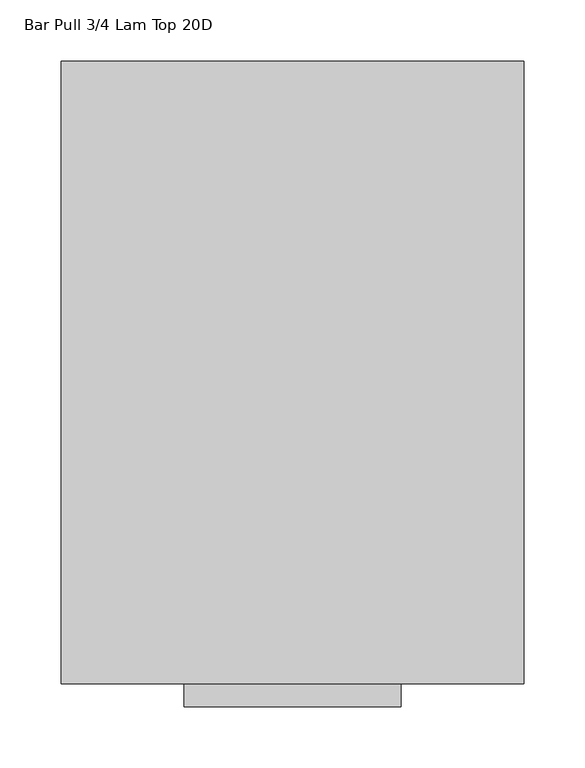
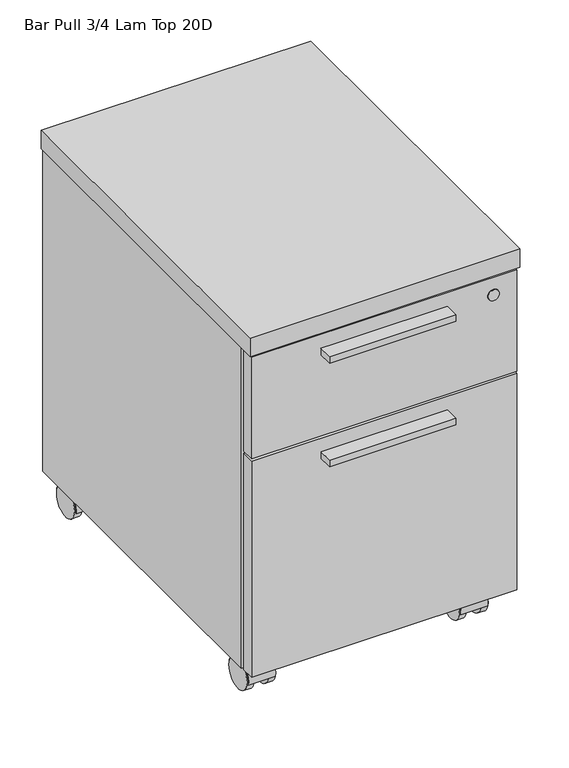
"""IFC4 building model written with IfcOpenShell, lengths in millimetres: furniture geometry, Bar Pull 3/4 Lam Top 20D."""

from ifc_helpers import new_model, si_unit, point, frame, frame_2d, origin, place, context, project, spatial, polyline, circle_curve, trimmed, segment, composite_curve, outline, extrude, source, transform, mapped, element, save
from ifc_brep_helpers import plane_surface, revolved_surface, advanced_brep


def bar_pull_3_4_lam_top_20d_40dfa7df(model_context):
    return source(origin(), model_context, "Body", "SolidModel", [
        extrude(outline(composite_curve([segment(trimmed(circle_curve(frame_2d((38.552757, -443.2433984)), 2.8952236), [point((35.6575335, -443.2433984))], [point((41.4479806, -443.2433984))], False, "CARTESIAN"), True, "CONTINUOUS"), segment(trimmed(circle_curve(frame_2d((38.552757, -443.2433984)), 2.8952236), [point((41.4479806, -443.2433984))], [point((35.6575335, -443.2433984))], False, "CARTESIAN"), True, "CONTINUOUS")], self_intersect=False)), frame((0.0, 0.0, 47.4178766), z_axis=(0.0, 0.0, 1.0), x_axis=(1.0, 0.0, 0.0)), (0.0, 0.0, 1.0), 2.54),
        extrude(outline(composite_curve([segment(trimmed(circle_curve(frame_2d((38.552757, -443.5086607)), 7.4123574), [point((31.1403996, -443.5086607))], [point((45.9651144, -443.5086607))], False, "CARTESIAN"), True, "CONTINUOUS"), segment(trimmed(circle_curve(frame_2d((38.552757, -443.5086607)), 7.4123574), [point((45.9651144, -443.5086607))], [point((31.1403996, -443.5086607))], False, "CARTESIAN"), True, "CONTINUOUS")], self_intersect=False)), frame((0.0, 0.0, 49.9578766), z_axis=(0.0, 0.0, 1.0), x_axis=(1.0, 0.0, 0.0)), (0.0, 0.0, 1.0), 4.7226624),
        advanced_brep(
        [(30.3783996, -443.5086607, 54.680539), (46.7271144, -443.5086607, 54.680539), (25.852757, -443.5086607, 57.5818), (51.252757, -443.5086607, 57.5818)],
        [
            (0, 1, circle_curve(frame((38.552757, -443.5086607, 54.680539), z_axis=(0.0, 0.0, -1.0), x_axis=(-1.0, 0.0, 0.0)), 8.1743574)),
            (1, 0, circle_curve(frame((38.552757, -443.5086607, 54.680539), z_axis=(0.0, 0.0, -1.0), x_axis=(1.0, 0.0, 0.0)), 8.1743574)),
            (2, 3, circle_curve(frame((38.552757, -443.5086607, 57.5818), z_axis=(0.0, 0.0, 1.0), x_axis=(1.0, 0.0, 0.0)), 12.7)),
            (3, 2, circle_curve(frame((38.552757, -443.5086607, 57.5818), z_axis=(0.0, 0.0, 1.0), x_axis=(-1.0, 0.0, 0.0)), 12.7)),
            (2, 0),
            (1, 3),
        ],
        [
            plane_surface(frame((38.552757, -443.5086607, 54.680539), z_axis=(0.0, 0.0, -1.0), x_axis=(0.0, -1.0, 0.0))),
            plane_surface(frame((38.552757, -443.5086607, 57.5818), z_axis=(0.0, 0.0, 1.0), x_axis=(0.0, -1.0, 0.0))),
            revolved_surface(polyline([(46.72711441053413, -443.5086607, 54.680539), (51.252757, -443.5086607, 57.5818)]), (38.552757, -443.5086607, 49.4401905), (0.0, 0.0, 1.0)),
            revolved_surface(polyline([(30.378399589465875, -443.5086607, 54.680539), (25.852757, -443.5086607, 57.5818)]), (38.552757, -443.5086607, 49.4401905), (0.0, 0.0, 1.0)),
        ],
        [
            (0, [[1, 2]]),
            (1, [[3, 4]]),
            (2, [[-3, 5, -2, 6]]),
            (3, [[-4, -6, -1, -5]]),
        ],
    ),
        extrude(outline(composite_curve([segment(trimmed(circle_curve(frame_2d((38.552757, -443.2781099)), 6.0714648), [point((32.4812922, -443.2781099))], [point((44.6242219, -443.2781099))], False, "CARTESIAN"), True, "CONTINUOUS"), segment(trimmed(circle_curve(frame_2d((38.552757, -443.2781099)), 6.0714648), [point((44.6242219, -443.2781099))], [point((32.4812922, -443.2781099))], False, "CARTESIAN"), True, "CONTINUOUS")], self_intersect=False)), frame((0.0, 0.0, 31.6701308), z_axis=(0.0, 0.0, 1.0), x_axis=(1.0, 0.0, 0.0)), (0.0, 0.0, 1.0), 15.7477457),
        extrude(outline(composite_curve([segment(polyline([(-401.009387, 18.6856043), (-402.0037644, 18.6856043)]), True, "CONTINUOUS"), segment(trimmed(circle_curve(frame_2d((-424.6129713, 22.0624907)), 22.86), [point((-402.0037644, 18.6856043))], [point((-447.2221782, 18.6856043))], True, "CARTESIAN"), True, "CONTINUOUS"), segment(polyline([(-447.2221782, 18.6856043), (-448.2152732, 18.6856043)]), True, "CONTINUOUS"), segment(trimmed(circle_curve(frame_2d((-424.6123301, 22.0624907)), 23.8432859), [point((-448.2152732, 18.6856043))], [point((-401.009387, 18.6856043))], False, "CARTESIAN"), True, "CONTINUOUS")], self_intersect=False)), frame((19.558, 0.0, 0.0), z_axis=(1.0, 0.0, 0.0), x_axis=(0.0, 1.0, 0.0)), (0.0, 0.0, 1.0), 37.9984),
        extrude(outline(composite_curve([segment(trimmed(circle_curve(frame_2d((-424.6129713, 21.9964)), 21.9964), [point((-402.6165713, 21.9964))], [point((-446.6093713, 21.9964))], False, "CARTESIAN"), True, "CONTINUOUS"), segment(trimmed(circle_curve(frame_2d((-424.6129713, 21.9964)), 21.9964), [point((-446.6093713, 21.9964))], [point((-402.6165713, 21.9964))], False, "CARTESIAN"), True, "CONTINUOUS")], self_intersect=False)), frame((18.448657, 0.0, 0.0), z_axis=(1.0, 0.0, 0.0), x_axis=(0.0, 1.0, 0.0)), (0.0, 0.0, 1.0), 10.16),
        extrude(outline(composite_curve([segment(trimmed(circle_curve(frame_2d((-424.6129713, 21.9964)), 21.9964), [point((-402.6165713, 21.9964))], [point((-446.6093713, 21.9964))], False, "CARTESIAN"), True, "CONTINUOUS"), segment(trimmed(circle_curve(frame_2d((-424.6129713, 21.9964)), 21.9964), [point((-446.6093713, 21.9964))], [point((-402.6165713, 21.9964))], False, "CARTESIAN"), True, "CONTINUOUS")], self_intersect=False)), frame((48.496857, 0.0, 0.0), z_axis=(1.0, 0.0, 0.0), x_axis=(0.0, 1.0, 0.0)), (0.0, 0.0, 1.0), 10.16),
        extrude(outline(composite_curve([segment(trimmed(circle_curve(frame_2d((52.5526, -429.6167713)), 5.0038), [point((52.5526, -424.6129713))], [point((57.5564, -429.6167713))], False, "CARTESIAN"), True, "CONTINUOUS"), segment(polyline([(57.5564, -429.6167713), (57.5564, -457.6075713)]), True, "CONTINUOUS"), segment(trimmed(circle_curve(frame_2d((52.5526, -457.6075713)), 5.0038), [point((57.5564, -457.6075713))], [point((52.5526, -462.6113713))], False, "CARTESIAN"), True, "CONTINUOUS"), segment(polyline([(52.5526, -462.6113713), (24.5618, -462.6113713)]), True, "CONTINUOUS"), segment(trimmed(circle_curve(frame_2d((24.5618, -457.6075713)), 5.0038), [point((24.5618, -462.6113713))], [point((19.558, -457.6075713))], False, "CARTESIAN"), True, "CONTINUOUS"), segment(polyline([(19.558, -457.6075713), (19.558, -429.6167713)]), True, "CONTINUOUS"), segment(trimmed(circle_curve(frame_2d((24.5618, -429.6167713)), 5.0038), [point((19.558, -429.6167713))], [point((24.5618, -424.6129713))], False, "CARTESIAN"), True, "CONTINUOUS"), segment(polyline([(24.5618, -424.6129713), (52.5526, -424.6129713)]), True, "CONTINUOUS")], self_intersect=False)), frame((0.0, 0.0, 57.5818), z_axis=(0.0, 0.0, 1.0), x_axis=(1.0, 0.0, 0.0)), (0.0, 0.0, 1.0), 2.0066),
        extrude(outline(composite_curve([segment(trimmed(circle_curve(frame_2d((337.358357, -443.2433984)), 2.8952236), [point((334.4631335, -443.2433984))], [point((340.2535806, -443.2433984))], False, "CARTESIAN"), True, "CONTINUOUS"), segment(trimmed(circle_curve(frame_2d((337.358357, -443.2433984)), 2.8952236), [point((340.2535806, -443.2433984))], [point((334.4631335, -443.2433984))], False, "CARTESIAN"), True, "CONTINUOUS")], self_intersect=False)), frame((0.0, 0.0, 47.4178766), z_axis=(0.0, 0.0, 1.0), x_axis=(1.0, 0.0, 0.0)), (0.0, 0.0, 1.0), 2.54),
        extrude(outline(composite_curve([segment(trimmed(circle_curve(frame_2d((337.358357, -443.5086607)), 7.4123574), [point((329.9459996, -443.5086607))], [point((344.7707144, -443.5086607))], False, "CARTESIAN"), True, "CONTINUOUS"), segment(trimmed(circle_curve(frame_2d((337.358357, -443.5086607)), 7.4123574), [point((344.7707144, -443.5086607))], [point((329.9459996, -443.5086607))], False, "CARTESIAN"), True, "CONTINUOUS")], self_intersect=False)), frame((0.0, 0.0, 49.9578766), z_axis=(0.0, 0.0, 1.0), x_axis=(1.0, 0.0, 0.0)), (0.0, 0.0, 1.0), 4.7226624),
        advanced_brep(
        [(329.1839996, -443.5086607, 54.680539), (345.5327144, -443.5086607, 54.680539), (324.658357, -443.5086607, 57.5818), (350.058357, -443.5086607, 57.5818)],
        [
            (0, 1, circle_curve(frame((337.358357, -443.5086607, 54.680539), z_axis=(0.0, 0.0, -1.0), x_axis=(-1.0, 0.0, 0.0)), 8.1743574)),
            (1, 0, circle_curve(frame((337.358357, -443.5086607, 54.680539), z_axis=(0.0, 0.0, -1.0), x_axis=(1.0, 0.0, 0.0)), 8.1743574)),
            (2, 3, circle_curve(frame((337.358357, -443.5086607, 57.5818), z_axis=(0.0, 0.0, 1.0), x_axis=(1.0, 0.0, 0.0)), 12.7)),
            (3, 2, circle_curve(frame((337.358357, -443.5086607, 57.5818), z_axis=(0.0, 0.0, 1.0), x_axis=(-1.0, 0.0, 0.0)), 12.7)),
            (2, 0),
            (1, 3),
        ],
        [
            plane_surface(frame((337.358357, -443.5086607, 54.680539), z_axis=(0.0, 0.0, -1.0), x_axis=(0.0, -1.0, 0.0))),
            plane_surface(frame((337.358357, -443.5086607, 57.5818), z_axis=(0.0, 0.0, 1.0), x_axis=(0.0, -1.0, 0.0))),
            revolved_surface(polyline([(345.53271441053414, -443.5086607, 54.680539), (350.058357, -443.5086607, 57.5818)]), (337.358357, -443.5086607, 49.4401905), (0.0, 0.0, 1.0)),
            revolved_surface(polyline([(329.1839995894659, -443.5086607, 54.680539), (324.658357, -443.5086607, 57.5818)]), (337.358357, -443.5086607, 49.4401905), (0.0, 0.0, 1.0)),
        ],
        [
            (0, [[1, 2]]),
            (1, [[3, 4]]),
            (2, [[-3, 5, -2, 6]]),
            (3, [[-4, -6, -1, -5]]),
        ],
    ),
        extrude(outline(composite_curve([segment(trimmed(circle_curve(frame_2d((337.358357, -443.2781099)), 6.0714648), [point((331.2868922, -443.2781099))], [point((343.4298219, -443.2781099))], False, "CARTESIAN"), True, "CONTINUOUS"), segment(trimmed(circle_curve(frame_2d((337.358357, -443.2781099)), 6.0714648), [point((343.4298219, -443.2781099))], [point((331.2868922, -443.2781099))], False, "CARTESIAN"), True, "CONTINUOUS")], self_intersect=False)), frame((0.0, 0.0, 31.6701308), z_axis=(0.0, 0.0, 1.0), x_axis=(1.0, 0.0, 0.0)), (0.0, 0.0, 1.0), 15.7477457),
        extrude(outline(composite_curve([segment(polyline([(-401.009387, 18.6856043), (-402.0037644, 18.6856043)]), True, "CONTINUOUS"), segment(trimmed(circle_curve(frame_2d((-424.6129713, 22.0624907)), 22.86), [point((-402.0037644, 18.6856043))], [point((-447.2221782, 18.6856043))], True, "CARTESIAN"), True, "CONTINUOUS"), segment(polyline([(-447.2221782, 18.6856043), (-448.2152732, 18.6856043)]), True, "CONTINUOUS"), segment(trimmed(circle_curve(frame_2d((-424.6123301, 22.0624907)), 23.8432859), [point((-448.2152732, 18.6856043))], [point((-401.009387, 18.6856043))], False, "CARTESIAN"), True, "CONTINUOUS")], self_intersect=False)), frame((318.3636, 0.0, 0.0), z_axis=(1.0, 0.0, 0.0), x_axis=(0.0, 1.0, 0.0)), (0.0, 0.0, 1.0), 37.9984),
        extrude(outline(composite_curve([segment(trimmed(circle_curve(frame_2d((-424.6129713, 21.9964)), 21.9964), [point((-402.6165713, 21.9964))], [point((-446.6093713, 21.9964))], False, "CARTESIAN"), True, "CONTINUOUS"), segment(trimmed(circle_curve(frame_2d((-424.6129713, 21.9964)), 21.9964), [point((-446.6093713, 21.9964))], [point((-402.6165713, 21.9964))], False, "CARTESIAN"), True, "CONTINUOUS")], self_intersect=False)), frame((317.254257, 0.0, 0.0), z_axis=(1.0, 0.0, 0.0), x_axis=(0.0, 1.0, 0.0)), (0.0, 0.0, 1.0), 10.16),
        extrude(outline(composite_curve([segment(trimmed(circle_curve(frame_2d((-424.6129713, 21.9964)), 21.9964), [point((-402.6165713, 21.9964))], [point((-446.6093713, 21.9964))], False, "CARTESIAN"), True, "CONTINUOUS"), segment(trimmed(circle_curve(frame_2d((-424.6129713, 21.9964)), 21.9964), [point((-446.6093713, 21.9964))], [point((-402.6165713, 21.9964))], False, "CARTESIAN"), True, "CONTINUOUS")], self_intersect=False)), frame((347.302457, 0.0, 0.0), z_axis=(1.0, 0.0, 0.0), x_axis=(0.0, 1.0, 0.0)), (0.0, 0.0, 1.0), 10.16),
        extrude(outline(composite_curve([segment(trimmed(circle_curve(frame_2d((351.3582, -429.6167713)), 5.0038), [point((351.3582, -424.6129713))], [point((356.362, -429.6167713))], False, "CARTESIAN"), True, "CONTINUOUS"), segment(polyline([(356.362, -429.6167713), (356.362, -457.6075713)]), True, "CONTINUOUS"), segment(trimmed(circle_curve(frame_2d((351.3582, -457.6075713)), 5.0038), [point((356.362, -457.6075713))], [point((351.3582, -462.6113713))], False, "CARTESIAN"), True, "CONTINUOUS"), segment(polyline([(351.3582, -462.6113713), (323.3674, -462.6113713)]), True, "CONTINUOUS"), segment(trimmed(circle_curve(frame_2d((323.3674, -457.6075713)), 5.0038), [point((323.3674, -462.6113713))], [point((318.3636, -457.6075713))], False, "CARTESIAN"), True, "CONTINUOUS"), segment(polyline([(318.3636, -457.6075713), (318.3636, -429.6167713)]), True, "CONTINUOUS"), segment(trimmed(circle_curve(frame_2d((323.3674, -429.6167713)), 5.0038), [point((318.3636, -429.6167713))], [point((323.3674, -424.6129713))], False, "CARTESIAN"), True, "CONTINUOUS"), segment(polyline([(323.3674, -424.6129713), (351.3582, -424.6129713)]), True, "CONTINUOUS")], self_intersect=False)), frame((0.0, 0.0, 57.5818), z_axis=(0.0, 0.0, 1.0), x_axis=(1.0, 0.0, 0.0)), (0.0, 0.0, 1.0), 2.0066),
        extrude(outline(composite_curve([segment(trimmed(circle_curve(frame_2d((337.358357, -23.0257984)), 2.8952236), [point((334.4631335, -23.0257984))], [point((340.2535806, -23.0257984))], False, "CARTESIAN"), True, "CONTINUOUS"), segment(trimmed(circle_curve(frame_2d((337.358357, -23.0257984)), 2.8952236), [point((340.2535806, -23.0257984))], [point((334.4631335, -23.0257984))], False, "CARTESIAN"), True, "CONTINUOUS")], self_intersect=False)), frame((0.0, 0.0, 47.4178766), z_axis=(0.0, 0.0, 1.0), x_axis=(1.0, 0.0, 0.0)), (0.0, 0.0, 1.0), 2.54),
        extrude(outline(composite_curve([segment(trimmed(circle_curve(frame_2d((337.358357, -23.2910607)), 7.4123574), [point((329.9459996, -23.2910607))], [point((344.7707144, -23.2910607))], False, "CARTESIAN"), True, "CONTINUOUS"), segment(trimmed(circle_curve(frame_2d((337.358357, -23.2910607)), 7.4123574), [point((344.7707144, -23.2910607))], [point((329.9459996, -23.2910607))], False, "CARTESIAN"), True, "CONTINUOUS")], self_intersect=False)), frame((0.0, 0.0, 49.9578766), z_axis=(0.0, 0.0, 1.0), x_axis=(1.0, 0.0, 0.0)), (0.0, 0.0, 1.0), 4.7226624),
        advanced_brep(
        [(329.1839996, -23.2910607, 54.680539), (345.5327144, -23.2910607, 54.680539), (324.658357, -23.2910607, 57.5818), (350.058357, -23.2910607, 57.5818)],
        [
            (0, 1, circle_curve(frame((337.358357, -23.2910607, 54.680539), z_axis=(0.0, 0.0, -1.0), x_axis=(-1.0, 0.0, 0.0)), 8.1743574)),
            (1, 0, circle_curve(frame((337.358357, -23.2910607, 54.680539), z_axis=(0.0, 0.0, -1.0), x_axis=(1.0, 0.0, 0.0)), 8.1743574)),
            (2, 3, circle_curve(frame((337.358357, -23.2910607, 57.5818), z_axis=(0.0, 0.0, 1.0), x_axis=(1.0, 0.0, 0.0)), 12.7)),
            (3, 2, circle_curve(frame((337.358357, -23.2910607, 57.5818), z_axis=(0.0, 0.0, 1.0), x_axis=(-1.0, 0.0, 0.0)), 12.7)),
            (2, 0),
            (1, 3),
        ],
        [
            plane_surface(frame((337.358357, -23.2910607, 54.680539), z_axis=(0.0, 0.0, -1.0), x_axis=(0.0, -1.0, 0.0))),
            plane_surface(frame((337.358357, -23.2910607, 57.5818), z_axis=(0.0, 0.0, 1.0), x_axis=(0.0, -1.0, 0.0))),
            revolved_surface(polyline([(345.53271441053414, -23.2910607, 54.680539), (350.058357, -23.2910607, 57.5818)]), (337.358357, -23.2910607, 49.4401905), (0.0, 0.0, 1.0)),
            revolved_surface(polyline([(329.1839995894659, -23.2910607, 54.680539), (324.658357, -23.2910607, 57.5818)]), (337.358357, -23.2910607, 49.4401905), (0.0, 0.0, 1.0)),
        ],
        [
            (0, [[1, 2]]),
            (1, [[3, 4]]),
            (2, [[-3, 5, -2, 6]]),
            (3, [[-4, -6, -1, -5]]),
        ],
    ),
        extrude(outline(composite_curve([segment(trimmed(circle_curve(frame_2d((337.358357, -23.0605099)), 6.0714648), [point((331.2868922, -23.0605099))], [point((343.4298219, -23.0605099))], False, "CARTESIAN"), True, "CONTINUOUS"), segment(trimmed(circle_curve(frame_2d((337.358357, -23.0605099)), 6.0714648), [point((343.4298219, -23.0605099))], [point((331.2868922, -23.0605099))], False, "CARTESIAN"), True, "CONTINUOUS")], self_intersect=False)), frame((0.0, 0.0, 31.6701308), z_axis=(0.0, 0.0, 1.0), x_axis=(1.0, 0.0, 0.0)), (0.0, 0.0, 1.0), 15.7477457),
        extrude(outline(composite_curve([segment(polyline([(19.208213, 18.6856043), (18.2138356, 18.6856043)]), True, "CONTINUOUS"), segment(trimmed(circle_curve(frame_2d((-4.3953713, 22.0624907)), 22.86), [point((18.2138356, 18.6856043))], [point((-27.0045782, 18.6856043))], True, "CARTESIAN"), True, "CONTINUOUS"), segment(polyline([(-27.0045782, 18.6856043), (-27.9976732, 18.6856043)]), True, "CONTINUOUS"), segment(trimmed(circle_curve(frame_2d((-4.3947301, 22.0624907)), 23.8432859), [point((-27.9976732, 18.6856043))], [point((19.208213, 18.6856043))], False, "CARTESIAN"), True, "CONTINUOUS")], self_intersect=False)), frame((318.3636, 0.0, 0.0), z_axis=(1.0, 0.0, 0.0), x_axis=(0.0, 1.0, 0.0)), (0.0, 0.0, 1.0), 37.9984),
        extrude(outline(composite_curve([segment(trimmed(circle_curve(frame_2d((-4.3953713, 21.9964)), 21.9964), [point((17.6010287, 21.9964))], [point((-26.3917713, 21.9964))], False, "CARTESIAN"), True, "CONTINUOUS"), segment(trimmed(circle_curve(frame_2d((-4.3953713, 21.9964)), 21.9964), [point((-26.3917713, 21.9964))], [point((17.6010287, 21.9964))], False, "CARTESIAN"), True, "CONTINUOUS")], self_intersect=False)), frame((317.254257, 0.0, 0.0), z_axis=(1.0, 0.0, 0.0), x_axis=(0.0, 1.0, 0.0)), (0.0, 0.0, 1.0), 10.16),
        extrude(outline(composite_curve([segment(trimmed(circle_curve(frame_2d((-4.3953713, 21.9964)), 21.9964), [point((17.6010287, 21.9964))], [point((-26.3917713, 21.9964))], False, "CARTESIAN"), True, "CONTINUOUS"), segment(trimmed(circle_curve(frame_2d((-4.3953713, 21.9964)), 21.9964), [point((-26.3917713, 21.9964))], [point((17.6010287, 21.9964))], False, "CARTESIAN"), True, "CONTINUOUS")], self_intersect=False)), frame((347.302457, 0.0, 0.0), z_axis=(1.0, 0.0, 0.0), x_axis=(0.0, 1.0, 0.0)), (0.0, 0.0, 1.0), 10.16),
        extrude(outline(composite_curve([segment(trimmed(circle_curve(frame_2d((351.3582, -9.3991713)), 5.0038), [point((351.3582, -4.3953713))], [point((356.362, -9.3991713))], False, "CARTESIAN"), True, "CONTINUOUS"), segment(polyline([(356.362, -9.3991713), (356.362, -37.3899713)]), True, "CONTINUOUS"), segment(trimmed(circle_curve(frame_2d((351.3582, -37.3899713)), 5.0038), [point((356.362, -37.3899713))], [point((351.3582, -42.3937713))], False, "CARTESIAN"), True, "CONTINUOUS"), segment(polyline([(351.3582, -42.3937713), (323.3674, -42.3937713)]), True, "CONTINUOUS"), segment(trimmed(circle_curve(frame_2d((323.3674, -37.3899713)), 5.0038), [point((323.3674, -42.3937713))], [point((318.3636, -37.3899713))], False, "CARTESIAN"), True, "CONTINUOUS"), segment(polyline([(318.3636, -37.3899713), (318.3636, -9.3991713)]), True, "CONTINUOUS"), segment(trimmed(circle_curve(frame_2d((323.3674, -9.3991713)), 5.0038), [point((318.3636, -9.3991713))], [point((323.3674, -4.3953713))], False, "CARTESIAN"), True, "CONTINUOUS"), segment(polyline([(323.3674, -4.3953713), (351.3582, -4.3953713)]), True, "CONTINUOUS")], self_intersect=False)), frame((0.0, 0.0, 57.5818), z_axis=(0.0, 0.0, 1.0), x_axis=(1.0, 0.0, 0.0)), (0.0, 0.0, 1.0), 2.0066),
        extrude(outline(composite_curve([segment(trimmed(circle_curve(frame_2d((38.552757, -23.0257984)), 2.8952236), [point((35.6575335, -23.0257984))], [point((41.4479806, -23.0257984))], False, "CARTESIAN"), True, "CONTINUOUS"), segment(trimmed(circle_curve(frame_2d((38.552757, -23.0257984)), 2.8952236), [point((41.4479806, -23.0257984))], [point((35.6575335, -23.0257984))], False, "CARTESIAN"), True, "CONTINUOUS")], self_intersect=False)), frame((0.0, 0.0, 47.4178766), z_axis=(0.0, 0.0, 1.0), x_axis=(1.0, 0.0, 0.0)), (0.0, 0.0, 1.0), 2.54),
        extrude(outline(composite_curve([segment(trimmed(circle_curve(frame_2d((38.552757, -23.2910607)), 7.4123574), [point((31.1403996, -23.2910607))], [point((45.9651144, -23.2910607))], False, "CARTESIAN"), True, "CONTINUOUS"), segment(trimmed(circle_curve(frame_2d((38.552757, -23.2910607)), 7.4123574), [point((45.9651144, -23.2910607))], [point((31.1403996, -23.2910607))], False, "CARTESIAN"), True, "CONTINUOUS")], self_intersect=False)), frame((0.0, 0.0, 49.9578766), z_axis=(0.0, 0.0, 1.0), x_axis=(1.0, 0.0, 0.0)), (0.0, 0.0, 1.0), 4.7226624),
        advanced_brep(
        [(30.3783996, -23.2910607, 54.680539), (46.7271144, -23.2910607, 54.680539), (25.852757, -23.2910607, 57.5818), (51.252757, -23.2910607, 57.5818)],
        [
            (0, 1, circle_curve(frame((38.552757, -23.2910607, 54.680539), z_axis=(0.0, 0.0, -1.0), x_axis=(-1.0, 0.0, 0.0)), 8.1743574)),
            (1, 0, circle_curve(frame((38.552757, -23.2910607, 54.680539), z_axis=(0.0, 0.0, -1.0), x_axis=(1.0, 0.0, 0.0)), 8.1743574)),
            (2, 3, circle_curve(frame((38.552757, -23.2910607, 57.5818), z_axis=(0.0, 0.0, 1.0), x_axis=(1.0, 0.0, 0.0)), 12.7)),
            (3, 2, circle_curve(frame((38.552757, -23.2910607, 57.5818), z_axis=(0.0, 0.0, 1.0), x_axis=(-1.0, 0.0, 0.0)), 12.7)),
            (2, 0),
            (1, 3),
        ],
        [
            plane_surface(frame((38.552757, -23.2910607, 54.680539), z_axis=(0.0, 0.0, -1.0), x_axis=(0.0, -1.0, 0.0))),
            plane_surface(frame((38.552757, -23.2910607, 57.5818), z_axis=(0.0, 0.0, 1.0), x_axis=(0.0, -1.0, 0.0))),
            revolved_surface(polyline([(46.72711441053413, -23.2910607, 54.680539), (51.252757, -23.2910607, 57.5818)]), (38.552757, -23.2910607, 49.4401905), (0.0, 0.0, 1.0)),
            revolved_surface(polyline([(30.378399589465875, -23.2910607, 54.680539), (25.852757, -23.2910607, 57.5818)]), (38.552757, -23.2910607, 49.4401905), (0.0, 0.0, 1.0)),
        ],
        [
            (0, [[1, 2]]),
            (1, [[3, 4]]),
            (2, [[-3, 5, -2, 6]]),
            (3, [[-4, -6, -1, -5]]),
        ],
    ),
        extrude(outline(composite_curve([segment(trimmed(circle_curve(frame_2d((38.552757, -23.0605099)), 6.0714648), [point((32.4812922, -23.0605099))], [point((44.6242219, -23.0605099))], False, "CARTESIAN"), True, "CONTINUOUS"), segment(trimmed(circle_curve(frame_2d((38.552757, -23.0605099)), 6.0714648), [point((44.6242219, -23.0605099))], [point((32.4812922, -23.0605099))], False, "CARTESIAN"), True, "CONTINUOUS")], self_intersect=False)), frame((0.0, 0.0, 31.6701308), z_axis=(0.0, 0.0, 1.0), x_axis=(1.0, 0.0, 0.0)), (0.0, 0.0, 1.0), 15.7477457),
        extrude(outline(composite_curve([segment(polyline([(19.208213, 18.6856043), (18.2138356, 18.6856043)]), True, "CONTINUOUS"), segment(trimmed(circle_curve(frame_2d((-4.3953713, 22.0624907)), 22.86), [point((18.2138356, 18.6856043))], [point((-27.0045782, 18.6856043))], True, "CARTESIAN"), True, "CONTINUOUS"), segment(polyline([(-27.0045782, 18.6856043), (-27.9976732, 18.6856043)]), True, "CONTINUOUS"), segment(trimmed(circle_curve(frame_2d((-4.3947301, 22.0624907)), 23.8432859), [point((-27.9976732, 18.6856043))], [point((19.208213, 18.6856043))], False, "CARTESIAN"), True, "CONTINUOUS")], self_intersect=False)), frame((19.558, 0.0, 0.0), z_axis=(1.0, 0.0, 0.0), x_axis=(0.0, 1.0, 0.0)), (0.0, 0.0, 1.0), 37.9984),
        extrude(outline(composite_curve([segment(trimmed(circle_curve(frame_2d((-4.3953713, 21.9964)), 21.9964), [point((17.6010287, 21.9964))], [point((-26.3917713, 21.9964))], False, "CARTESIAN"), True, "CONTINUOUS"), segment(trimmed(circle_curve(frame_2d((-4.3953713, 21.9964)), 21.9964), [point((-26.3917713, 21.9964))], [point((17.6010287, 21.9964))], False, "CARTESIAN"), True, "CONTINUOUS")], self_intersect=False)), frame((18.448657, 0.0, 0.0), z_axis=(1.0, 0.0, 0.0), x_axis=(0.0, 1.0, 0.0)), (0.0, 0.0, 1.0), 10.16),
        extrude(outline(composite_curve([segment(trimmed(circle_curve(frame_2d((-4.3953713, 21.9964)), 21.9964), [point((17.6010287, 21.9964))], [point((-26.3917713, 21.9964))], False, "CARTESIAN"), True, "CONTINUOUS"), segment(trimmed(circle_curve(frame_2d((-4.3953713, 21.9964)), 21.9964), [point((-26.3917713, 21.9964))], [point((17.6010287, 21.9964))], False, "CARTESIAN"), True, "CONTINUOUS")], self_intersect=False)), frame((48.496857, 0.0, 0.0), z_axis=(1.0, 0.0, 0.0), x_axis=(0.0, 1.0, 0.0)), (0.0, 0.0, 1.0), 10.16),
        extrude(outline(composite_curve([segment(trimmed(circle_curve(frame_2d((52.5526, -9.3991713)), 5.0038), [point((52.5526, -4.3953713))], [point((57.5564, -9.3991713))], False, "CARTESIAN"), True, "CONTINUOUS"), segment(polyline([(57.5564, -9.3991713), (57.5564, -37.3899713)]), True, "CONTINUOUS"), segment(trimmed(circle_curve(frame_2d((52.5526, -37.3899713)), 5.0038), [point((57.5564, -37.3899713))], [point((52.5526, -42.3937713))], False, "CARTESIAN"), True, "CONTINUOUS"), segment(polyline([(52.5526, -42.3937713), (24.5618, -42.3937713)]), True, "CONTINUOUS"), segment(trimmed(circle_curve(frame_2d((24.5618, -37.3899713)), 5.0038), [point((24.5618, -42.3937713))], [point((19.558, -37.3899713))], False, "CARTESIAN"), True, "CONTINUOUS"), segment(polyline([(19.558, -37.3899713), (19.558, -9.3991713)]), True, "CONTINUOUS"), segment(trimmed(circle_curve(frame_2d((24.5618, -9.3991713)), 5.0038), [point((19.558, -9.3991713))], [point((24.5618, -4.3953713))], False, "CARTESIAN"), True, "CONTINUOUS"), segment(polyline([(24.5618, -4.3953713), (52.5526, -4.3953713)]), True, "CONTINUOUS")], self_intersect=False)), frame((0.0, 0.0, 57.5818), z_axis=(0.0, 0.0, 1.0), x_axis=(1.0, 0.0, 0.0)), (0.0, 0.0, 1.0), 2.0066),
        extrude(outline(polyline([(276.8600024, -485.8523708), (276.8600024, -508.0773577), (99.0599994, -508.0773577), (99.0599994, -485.8523708), (276.8600024, -485.8523708)])), frame((0.0, 0.0, 351.8916144), z_axis=(0.0, 0.0, 1.0), x_axis=(1.0, 0.0, 0.0)), (0.0, 0.0, 1.0), 9.525),
        extrude(outline(polyline([(276.8600024, -485.8523708), (276.8600024, -508.0773577), (99.0599994, -508.0773577), (99.0599994, -485.8523708), (276.8600024, -485.8523708)])), frame((0.0, 0.0, 505.8791144), z_axis=(0.0, 0.0, 1.0), x_axis=(1.0, 0.0, 0.0)), (0.0, 0.0, 1.0), 9.525),
        extrude(outline(polyline([(374.3325, -468.1993713), (374.3325, -487.5033713), (1.5875, -487.5033713), (1.5875, -468.1993713), (374.3325, -468.1993713)])), frame((0.0, 0.0, 60.0202), z_axis=(0.0, 0.0, 1.0), x_axis=(1.0, 0.0, 0.0)), (0.0, 0.0, 1.0), 321.818),
        extrude(outline(polyline([(374.3325, -487.5033713), (1.5875, -487.5033713), (1.5875, -468.1993713), (374.3325, -468.1993713), (374.3325, -487.5033713)])), frame((0.0, 0.0, 385.0132), z_axis=(0.0, 0.0, 1.0), x_axis=(1.0, 0.0, 0.0)), (0.0, 0.0, 1.0), 151.0284),
        extrude(outline(polyline([(377.5075, 20.5601287), (377.5075, -489.0908713), (-1.5875, -489.0908713), (-1.5875, 20.5601287), (377.5075, 20.5601287)])), frame((0.0, 0.0, 539.2166), z_axis=(0.0, 0.0, 1.0), x_axis=(1.0, 0.0, 0.0)), (0.0, 0.0, 1.0), 27.5590144),
        extrude(outline(polyline([(356.616, -1.9950713), (356.616, -445.7203713), (19.304, -445.7203713), (19.304, -1.9950713), (356.616, -1.9950713)])), frame((0.0, 0.0, 60.0202), z_axis=(0.0, 0.0, 1.0), x_axis=(1.0, 0.0, 0.0)), (0.0, 0.0, 1.0), 479.1964),
        extrude(outline(polyline([(356.616, 17.3089287), (356.616, -1.9950713), (19.304, -1.9950713), (19.304, 17.3089287), (356.616, 17.3089287)])), frame((0.0, 0.0, 60.2742), z_axis=(0.0, 0.0, 1.0), x_axis=(1.0, 0.0, 0.0)), (0.0, 0.0, 1.0), 478.9424),
        extrude(outline(composite_curve([segment(trimmed(circle_curve(frame_2d((510.6416, 340.995)), 8.001), [point((510.6416, 332.994))], [point((510.6416, 348.996))], False, "CARTESIAN"), True, "CONTINUOUS"), segment(trimmed(circle_curve(frame_2d((510.6416, 340.995)), 8.001), [point((510.6416, 348.996))], [point((510.6416, 332.994))], False, "CARTESIAN"), True, "CONTINUOUS")], self_intersect=False)), frame((0.0, -489.0908713, 0.0), z_axis=(0.0, 1.0, 0.0), x_axis=(0.0, 0.0, 1.0)), (0.0, 0.0, 1.0), 1.5875),
        extrude(outline(polyline([(356.616, -445.7203713), (356.616, -465.0243713), (19.304, -465.0243713), (19.304, -445.7203713), (356.616, -445.7203713)])), frame((0.0, 0.0, 60.2742), z_axis=(0.0, 0.0, 1.0), x_axis=(1.0, 0.0, 0.0)), (0.0, 0.0, 1.0), 478.9424),
        extrude(outline(polyline([(19.304, 18.9726287), (19.304, -465.0243713), (0.0, -465.0243713), (0.0, 18.9726287), (19.304, 18.9726287)])), frame((0.0, 0.0, 60.2742), z_axis=(0.0, 0.0, 1.0), x_axis=(1.0, 0.0, 0.0)), (0.0, 0.0, 1.0), 478.9424),
        extrude(outline(polyline([(375.92, 18.9726287), (375.92, -465.0243713), (356.616, -465.0243713), (356.616, 18.9726287), (375.92, 18.9726287)])), frame((0.0, 0.0, 60.2742), z_axis=(0.0, 0.0, 1.0), x_axis=(1.0, 0.0, 0.0)), (0.0, 0.0, 1.0), 478.9424),
    ])


if __name__ == "__main__":
    model = new_model("IFC4")
    model_context = context("Model", 3, world=origin())
    ifc_project = project(units=[si_unit("LENGTHUNIT", "METRE", prefix="MILLI")], contexts=[model_context])
    site = spatial("IfcSite", under=ifc_project)
    building = spatial("IfcBuilding", under=site)
    placement = place(None, origin())
    bar_pull_3_4_lam_top_20d_shape = bar_pull_3_4_lam_top_20d_40dfa7df(model_context)
    element("IfcFurniture", 1, ObjectType="Bar Pull 3/4 Lam Top 20D", at=placement, inside=building, context=model_context, shape_type="MappedRepresentation", body=[
        mapped(bar_pull_3_4_lam_top_20d_shape, transform((0.0, 0.0, 0.0), x_axis=(1.0, 0.0, 0.0), y_axis=(0.0, 1.0, 0.0), z_axis=(0.0, 0.0, 1.0))),
    ])
    save(model, "model.ifc")
